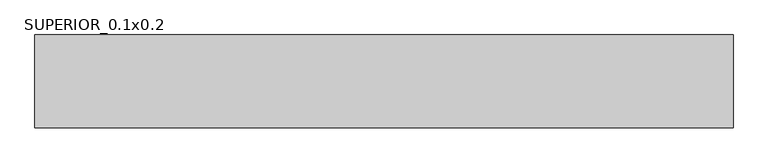
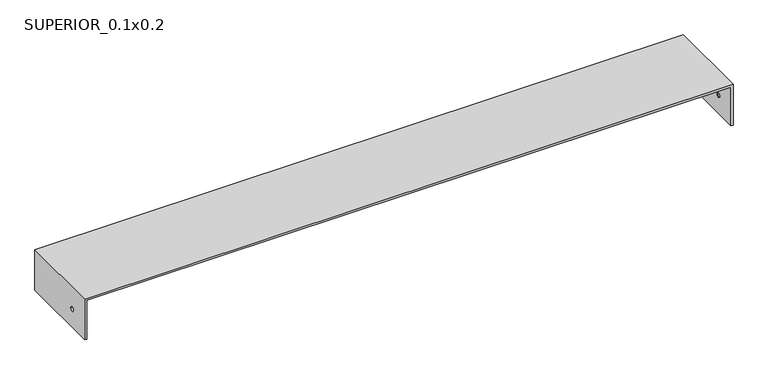
"""IFC4 building model written with IfcOpenShell, lengths in millimetres: proxy geometry, SUPERIOR_0.1x0.2."""

from ifc_helpers import new_model, si_unit, frame, origin, place, context, project, spatial, polyline, circle_curve, source, transform, mapped, element, save
from ifc_brep_helpers import plane_surface, revolved_surface, advanced_brep


def superior_0_1x0_2_4849daab(model_context):
    return source(origin(), model_context, "Body", "AdvancedBrep", [
        advanced_brep(
        [(5.0, 200.0, -95.0), (5.0, 0.0, -95.0), (0.0, 0.0, -95.0), (0.0, 200.0, -95.0), (0.0, 200.0, 5.0), (1504.0, 200.0, 5.0), (1504.0, 200.0, -95.0), (1499.0, 200.0, -95.0), (1499.0, 200.0, 0.0), (5.0, 200.0, 0.0), (0.0, 0.0, 5.0), (0.0, 45.1299677, -50.0), (0.0, 55.1299677, -50.0), (5.0, 0.0, 0.0), (1499.0, 0.0, 0.0), (1499.0, 0.0, -95.0), (1504.0, 0.0, -95.0), (1504.0, 0.0, 5.0), (5.0, 55.1299677, -50.0), (5.0, 45.1299677, -50.0), (1500.0, 45.1299677, -50.0), (1500.0, 55.1299677, -50.0), (1499.0, 55.1299677, -50.0), (1499.0, 45.1299677, -50.0)],
        [
            (0, 1),
            (1, 2),
            (2, 3),
            (3, 0),
            (3, 4),
            (4, 5),
            (5, 6),
            (6, 7),
            (7, 8),
            (8, 9),
            (9, 0),
            (2, 10),
            (10, 4),
            (11, 12, circle_curve(frame((0.0, 50.1299677, -50.0), z_axis=(1.0, 0.0, 0.0), x_axis=(0.0, 1.0, 0.0)), 5.0)),
            (12, 11, circle_curve(frame((0.0, 50.1299677, -50.0), z_axis=(1.0, 0.0, 0.0), x_axis=(0.0, 1.0, 0.0)), 5.0)),
            (1, 13),
            (13, 14),
            (14, 15),
            (15, 16),
            (16, 17),
            (17, 10),
            (9, 13),
            (18, 19, circle_curve(frame((5.0, 50.1299677, -50.0), z_axis=(-1.0, 0.0, 0.0), x_axis=(0.0, 1.0, 0.0)), 5.0)),
            (19, 18, circle_curve(frame((5.0, 50.1299677, -50.0), z_axis=(-1.0, 0.0, 0.0), x_axis=(0.0, 1.0, 0.0)), 5.0)),
            (17, 5),
            (8, 14),
            (16, 6),
            (11, 19),
            (18, 12),
            (20, 21, circle_curve(frame((1500.0, 50.1299677, -50.0), z_axis=(1.0, 0.0, 0.0), x_axis=(0.0, 1.0, 0.0)), 5.0)),
            (21, 22),
            (22, 23, circle_curve(frame((1499.0, 50.1299677, -50.0), z_axis=(-1.0, 0.0, 0.0), x_axis=(0.0, 1.0, 0.0)), 5.0)),
            (23, 20),
            (21, 20, circle_curve(frame((1500.0, 50.1299677, -50.0), z_axis=(1.0, 0.0, 0.0), x_axis=(0.0, 1.0, 0.0)), 5.0)),
            (23, 22, circle_curve(frame((1499.0, 50.1299677, -50.0), z_axis=(-1.0, 0.0, 0.0), x_axis=(0.0, 1.0, 0.0)), 5.0)),
            (15, 7),
        ],
        [
            plane_surface(frame((0.0, 200.0, -95.0), z_axis=(0.0, 0.0, -1.0), x_axis=(1.0, 0.0, 0.0))),
            plane_surface(frame((5.0, 200.0, 0.0), z_axis=(0.0, 1.0, 0.0), x_axis=(0.0, 0.0, -1.0))),
            plane_surface(frame((0.0, 200.0, 0.0), z_axis=(-1.0, 0.0, 0.0), x_axis=(0.0, 0.0, -1.0))),
            plane_surface(frame((0.0, 0.0, 0.0), z_axis=(0.0, -1.0, 0.0), x_axis=(0.0, 0.0, -1.0))),
            plane_surface(frame((5.0, 0.0, 0.0), z_axis=(1.0, 0.0, 0.0), x_axis=(0.0, 0.0, -1.0))),
            plane_surface(frame((0.0, 0.0, 5.0), z_axis=(0.0, 0.0, 1.0), x_axis=(0.0, -1.0, 0.0))),
            plane_surface(frame((0.0, 0.0, 0.0), z_axis=(0.0, 0.0, -1.0), x_axis=(0.0, 1.0, 0.0))),
            plane_surface(frame((1504.0, 0.0, 5.0), z_axis=(1.0, 0.0, 0.0), x_axis=(0.0, 0.0, -1.0))),
            revolved_surface(polyline([(5.0, 55.1299677, -50.0), (0.0, 55.1299677, -50.0)]), (0.0, 50.1299677, -50.0), (1.0, 0.0, 0.0)),
            revolved_surface(polyline([(1500.0, 55.1299677, -50.0), (1499.0, 55.1299677, -50.0)]), (0.0, 50.1299677, -50.0), (1.0, 0.0, 0.0)),
            plane_surface(frame((1499.0, 200.0, -95.0), z_axis=(0.0, 0.0, -1.0), x_axis=(0.0, 1.0, 0.0))),
            plane_surface(frame((1499.0, 200.0, 0.0), z_axis=(-1.0, 0.0, 0.0), x_axis=(0.0, 0.0, -1.0))),
            plane_surface(frame((1500.0, 55.1299677, -50.0), z_axis=(-1.0, 0.0, 0.0), x_axis=(0.0, 0.0, 1.0))),
        ],
        [
            (0, [[1, 2, 3, 4]]),
            (1, [[-4, 5, 6, 7, 8, 9, 10, 11]]),
            (2, [[-3, 12, 13, -5], [14, 15]]),
            (3, [[-2, 16, 17, 18, 19, 20, 21, -12]]),
            (4, [[-1, -11, 22, -16], [23, 24]]),
            (5, [[-13, -21, 25, -6]]),
            (6, [[-22, -10, 26, -17]]),
            (7, [[-25, -20, 27, -7]]),
            (8, [[28, -23, 29, -14]]),
            (9, [[30, 31, 32, 33]]),
            (8, [[-28, -15, -29, -24]]),
            (9, [[34, -33, 35, -31]]),
            (10, [[-8, -27, -19, 36]]),
            (11, [[-36, -18, -26, -9], [-32, -35]]),
            (12, [[-34, -30]]),
        ],
    ),
    ])


if __name__ == "__main__":
    model = new_model("IFC4")
    model_context = context("Model", 3, world=origin())
    ifc_project = project(units=[si_unit("LENGTHUNIT", "METRE", prefix="MILLI")], contexts=[model_context])
    site = spatial("IfcSite", under=ifc_project)
    building = spatial("IfcBuilding", under=site)
    placement = place(None, origin())
    superior_0_1x0_2_shape = superior_0_1x0_2_4849daab(model_context)
    element("IfcBuildingElementProxy", 1, Name="SUPERIOR_0.1x0.2", ObjectType="SUPERIOR_0.1x0.2", at=placement, inside=building, context=model_context, shape_type="MappedRepresentation", body=[
        mapped(superior_0_1x0_2_shape, transform((0.0, 0.0, 0.0), x_axis=(1.0, 0.0, 0.0), y_axis=(0.0, 1.0, 0.0), z_axis=(0.0, 0.0, 1.0))),
    ])
    save(model, "model.ifc")
